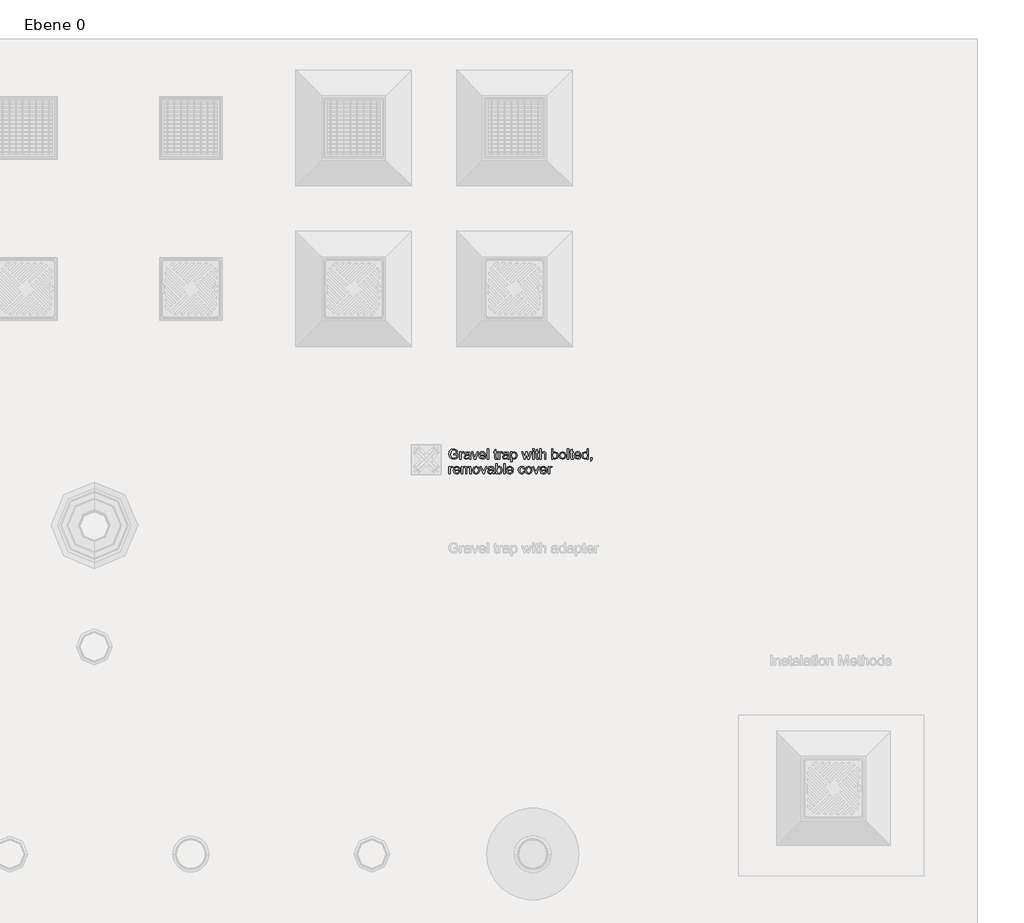
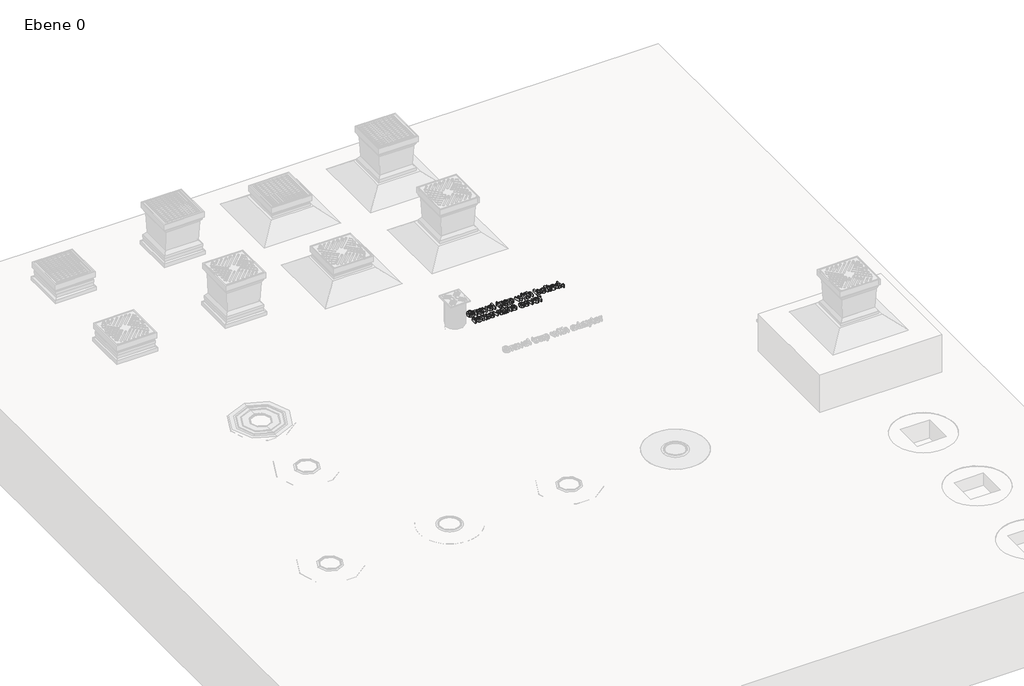
# One storey, part 11 of 12: 1 proxy.
"""IFC4 building model written with IfcOpenShell, lengths in millimetres."""

from ifc_helpers import new_model, si_unit, origin, origin_with_axes, place, context, project, spatial, polyline, outline, extrude, element, save

model = new_model("IFC4")

# Units and contexts
model_context = context("Model", 3, world=origin())
ifc_project = project(units=[si_unit("LENGTHUNIT", "METRE", prefix="MILLI")], contexts=[model_context])

# Site, building, storey
site = spatial("IfcSite", under=ifc_project)
building = spatial("IfcBuilding", under=site)
storey = spatial("IfcBuildingStorey", under=building, Name="Ebene 0", Elevation=0.0)

# Proxy
placement = place(None, origin())
element("IfcBuildingElementProxy", 1, Name="100mm ACO", ObjectType="100mm ACO", at=placement, inside=storey, context=model_context, shape_type="SweptSolid", body=[
    extrude(outline(polyline([(-26290.8280387, 21231.6005421), (-26300.5888957, 21225.8706317), (-26311.2156058, 21223.9606615), (-26321.465779, 21225.7287482), (-26329.5149389, 21231.0330082), (-26334.7264289, 21239.2695271), (-26336.4635922, 21249.8343905), (-26333.6331984, 21263.1641632), (-26325.2875383, 21272.7249281), (-26311.797692, 21276.1155798), (-26298.5115758, 21272.3465721), (-26291.7593765, 21261.0541009), (-26298.2787413, 21259.351499), (-26303.1318845, 21267.7262633), (-26312.277913, 21270.5275529), (-26319.952355, 21269.115994), (-26325.4839924, 21264.8813173), (-26329.9442274, 21250.0963293), (-26327.7395762, 21238.7238213), (-26321.1983832, 21231.869757), (-26311.7685877, 21229.5486885), (-26297.3474035, 21235.1949241), (-26297.3474035, 21245.3814316), (-26312.2488087, 21245.3814316), (-26312.2488087, 21250.9694585), (-26290.8280387, 21250.9694585), (-26290.8280387, 21231.6005421)])), origin_with_axes(), (0.0, 0.0, 1.0), 20.0),
    extrude(outline(polyline([(-26261.9565661, 21260.7194014), (-26263.9938676, 21256.5574855), (-26268.2722007, 21257.4888233), (-26273.2926937, 21254.2145888), (-26274.9952956, 21245.046732), (-26274.9952956, 21224.8919994), (-26281.5146604, 21224.8919994), (-26281.5146604, 21261.2141746), (-26275.9266335, 21261.2141746), (-26275.9266335, 21255.8298778), (-26268.1994399, 21262.1455124), (-26261.9565661, 21260.7194014)])), origin_with_axes(), (0.0, 0.0, 1.0), 20.0),
    extrude(outline(polyline([(-26226.5657286, 21224.8919994), (-26233.0850934, 21224.8919994), (-26234.9477691, 21229.2867497), (-26248.0010508, 21223.9606615), (-26256.8560362, 21226.8710922), (-26260.0938904, 21234.5546293), (-26256.9215209, 21242.0999209), (-26245.9055407, 21246.0217263), (-26240.2010965, 21246.8948555), (-26234.9477691, 21248.175445), (-26235.1151188, 21252.2136676), (-26236.0901131, 21254.6657055), (-26238.6876725, 21256.7102831), (-26243.5044354, 21257.4888233), (-26249.5799595, 21255.9099146), (-26252.6431878, 21250.0381207), (-26259.1625526, 21250.8384891), (-26254.0183663, 21259.3078425), (-26242.616754, 21262.1455124), (-26232.9322958, 21260.2027999), (-26229.1341837, 21255.5170065), (-26228.4284043, 21248.4519359), (-26228.4284043, 21240.1426563), (-26228.1519134, 21229.9561488), (-26226.5657286, 21224.8919994)]), holes=[polyline([(-26234.9477691, 21241.1904113), (-26234.9477691, 21243.5187559), (-26246.6549766, 21240.8411596), (-26251.8446384, 21238.8002201), (-26253.5745256, 21234.6564944), (-26251.71185, 21230.3199526), (-26246.3421053, 21228.6173507), (-26238.3893534, 21231.4695728), (-26234.9477691, 21241.1904113)])]), origin_with_axes(), (0.0, 0.0, 1.0), 20.0),
    extrude(outline(polyline([(-26190.2435534, 21261.2141746), (-26203.2386265, 21224.8919994), (-26208.8557578, 21224.8919994), (-26222.8403773, 21261.2141746), (-26216.9613073, 21261.2141746), (-26209.1759051, 21240.1863127), (-26206.5419654, 21232.0953154), (-26204.5337682, 21237.9889375), (-26196.1371756, 21261.2141746), (-26190.2435534, 21261.2141746)])), origin_with_axes(), (0.0, 0.0, 1.0), 20.0),
    extrude(outline(polyline([(-26152.9900403, 21241.6560802), (-26179.9988373, 21241.6560802), (-26176.5863573, 21231.964346), (-26169.0119614, 21228.6173507), (-26163.1401674, 21230.4727502), (-26159.5094051, 21236.0680533), (-26152.9900403, 21235.3113413), (-26158.6799323, 21226.9001965), (-26169.0119614, 21223.9606615), (-26181.8833412, 21229.0029827), (-26186.5182021, 21242.7765961), (-26182.0506909, 21256.7757678), (-26176.6700322, 21260.8030763), (-26169.4630781, 21262.1455124), (-26161.8086453, 21260.4065301), (-26155.5584954, 21254.4838036), (-26152.9900403, 21241.6560802)]), holes=[polyline([(-26159.5094051, 21246.3127694), (-26162.9437133, 21254.8694357), (-26169.6231518, 21257.4888233), (-26176.753707, 21254.3746624), (-26179.9988373, 21246.3127694), (-26159.5094051, 21246.3127694)])]), origin_with_axes(), (0.0, 0.0, 1.0), 20.0),
    extrude(outline(polyline([(-26139.0199729, 21224.8919994), (-26145.5393377, 21224.8919994), (-26145.5393377, 21275.184242), (-26139.0199729, 21275.184242), (-26139.0199729, 21224.8919994)])), origin_with_axes(), (0.0, 0.0, 1.0), 20.0),
    extrude(outline(polyline([(-26096.1784328, 21224.382674), (-26100.7478091, 21223.9606615), (-26106.5759466, 21225.4086008), (-26108.8097021, 21229.0830196), (-26109.2171624, 21235.282237), (-26109.2171624, 21256.5574855), (-26113.8738516, 21256.5574855), (-26113.8738516, 21261.2141746), (-26109.2171624, 21261.2141746), (-26109.2171624, 21270.44024), (-26102.6977976, 21274.2529042), (-26102.6977976, 21261.2141746), (-26097.1097707, 21261.2141746), (-26097.1097707, 21256.5574855), (-26102.6977976, 21256.5574855), (-26102.6977976, 21233.9725432), (-26102.1739201, 21229.8397316), (-26099.510876, 21228.6173507), (-26096.9788013, 21228.6173507), (-26096.1784328, 21224.382674)])), origin_with_axes(), (0.0, 0.0, 1.0), 20.0),
    extrude(outline(polyline([(-26071.0323115, 21260.7194014), (-26073.069613, 21256.5574855), (-26077.3479462, 21257.4888233), (-26082.3684391, 21254.2145888), (-26084.0710411, 21245.046732), (-26084.0710411, 21224.8919994), (-26090.5904059, 21224.8919994), (-26090.5904059, 21261.2141746), (-26085.0023789, 21261.2141746), (-26085.0023789, 21255.8298778), (-26077.2751854, 21262.1455124), (-26071.0323115, 21260.7194014)])), origin_with_axes(), (0.0, 0.0, 1.0), 20.0),
    extrude(outline(polyline([(-26035.6414741, 21224.8919994), (-26042.1608389, 21224.8919994), (-26044.0235145, 21229.2867497), (-26057.0767963, 21223.9606615), (-26065.9317817, 21226.8710922), (-26069.1696359, 21234.5546293), (-26065.9972664, 21242.0999209), (-26054.9812862, 21246.0217263), (-26049.276842, 21246.8948555), (-26044.0235145, 21248.175445), (-26044.1908643, 21252.2136676), (-26045.1658586, 21254.6657055), (-26047.763418, 21256.7102831), (-26052.5801808, 21257.4888233), (-26058.6557049, 21255.9099146), (-26061.7189332, 21250.0381207), (-26068.238298, 21250.8384891), (-26063.0941118, 21259.3078425), (-26051.6924995, 21262.1455124), (-26042.0080413, 21260.2027999), (-26038.2099292, 21255.5170065), (-26037.5041497, 21248.4519359), (-26037.5041497, 21240.1426563), (-26037.2276588, 21229.9561488), (-26035.6414741, 21224.8919994)]), holes=[polyline([(-26044.0235145, 21241.1904113), (-26044.0235145, 21243.5187559), (-26055.7307221, 21240.8411596), (-26060.9203838, 21238.8002201), (-26062.6502711, 21234.6564944), (-26060.7875954, 21230.3199526), (-26055.4178508, 21228.6173507), (-26047.4650988, 21231.4695728), (-26044.0235145, 21241.1904113)])]), origin_with_axes(), (0.0, 0.0, 1.0), 20.0),
    extrude(outline(polyline([(-26021.605922, 21256.8339764), (-26011.4848992, 21262.1455124), (-26000.5416797, 21256.9358415), (-25996.5252854, 21243.3586822), (-26001.0655573, 21229.2067129), (-26012.2125069, 21223.9606615), (-26021.4967808, 21228.2389947), (-26021.6714067, 21210.921932), (-26028.1907715, 21210.921932), (-26028.1907715, 21261.2141746), (-26021.6714067, 21261.2141746), (-26021.605922, 21256.8339764)]), holes=[polyline([(-26012.9255624, 21228.6173507), (-26005.8459397, 21232.2917694), (-26003.0446501, 21243.242265), (-26005.7440746, 21253.7998524), (-26012.6490715, 21257.4888233), (-26019.801455, 21253.3778399), (-26022.6027445, 21242.7183875), (-26019.9178722, 21232.2044565), (-26012.9255624, 21228.6173507)])]), origin_with_axes(), (0.0, 0.0, 1.0), 20.0),
    extrude(outline(polyline([(-25924.5794382, 21261.2141746), (-25936.7450386, 21224.8919994), (-25942.9151517, 21224.8919994), (-25948.1975834, 21246.7202297), (-25948.8597064, 21249.6670408), (-25949.4927251, 21252.8903428), (-25955.9102248, 21224.8919994), (-25962.0803379, 21224.8919994), (-25974.406012, 21261.2141746), (-25968.5997027, 21261.2141746), (-25959.7374412, 21232.4300149), (-25958.675134, 21237.3340906), (-25953.1162113, 21261.2141746), (-25945.8255824, 21261.2141746), (-25941.4162799, 21242.1654056), (-25939.3644262, 21233.2158312), (-25930.4002996, 21261.2141746), (-25924.5794382, 21261.2141746)])), origin_with_axes(), (0.0, 0.0, 1.0), 20.0),
    extrude(outline(polyline([(-25912.7048809, 21224.8919994), (-25919.2242457, 21224.8919994), (-25919.2242457, 21261.2141746), (-25912.7048809, 21261.2141746), (-25912.7048809, 21224.8919994)])), origin_with_axes(), (0.0, 0.0, 1.0), 20.0),
    extrude(outline(polyline([(-25912.7048809, 21268.6648772), (-25919.2242457, 21268.6648772), (-25919.2242457, 21275.184242), (-25912.7048809, 21275.184242), (-25912.7048809, 21268.6648772)])), origin_with_axes(), (0.0, 0.0, 1.0), 20.0),
    extrude(outline(polyline([(-25889.4214352, 21224.382674), (-25893.9908115, 21223.9606615), (-25899.818949, 21225.4086008), (-25902.0527045, 21229.0830196), (-25902.4601648, 21235.282237), (-25902.4601648, 21256.5574855), (-25907.116854, 21256.5574855), (-25907.116854, 21261.2141746), (-25902.4601648, 21261.2141746), (-25902.4601648, 21270.44024), (-25895.9408, 21274.2529042), (-25895.9408, 21261.2141746), (-25890.3527731, 21261.2141746), (-25890.3527731, 21256.5574855), (-25895.9408, 21256.5574855), (-25895.9408, 21233.9725432), (-25895.4169225, 21229.8397316), (-25892.7538784, 21228.6173507), (-25890.2218037, 21228.6173507), (-25889.4214352, 21224.382674)])), origin_with_axes(), (0.0, 0.0, 1.0), 20.0),
    extrude(outline(polyline([(-25854.0305978, 21224.8919994), (-25860.5499626, 21224.8919994), (-25860.5499626, 21248.3791752), (-25862.4053622, 21255.2114113), (-25867.9424566, 21257.4888233), (-25874.4472692, 21254.803951), (-25877.3140435, 21245.2213579), (-25877.3140435, 21224.8919994), (-25883.8334083, 21224.8919994), (-25883.8334083, 21275.184242), (-25877.3140435, 21275.184242), (-25877.3140435, 21257.1686759), (-25866.4726891, 21262.1455124), (-25859.7932506, 21260.7048492), (-25855.3184634, 21256.2737185), (-25854.0305978, 21247.9717149), (-25854.0305978, 21224.8919994)])), origin_with_axes(), (0.0, 0.0, 1.0), 20.0),
    extrude(outline(polyline([(-25818.5524475, 21257.6197927), (-25808.7734003, 21262.1455124), (-25797.6628311, 21257.0231544), (-25793.4936391, 21243.6351731), (-25798.0775674, 21229.032087), (-25808.8025046, 21223.9606615), (-25818.508791, 21228.937498), (-25818.6397604, 21224.8919994), (-25825.1591252, 21224.8919994), (-25825.1591252, 21275.184242), (-25818.6397604, 21275.184242), (-25818.5524475, 21257.6197927)]), holes=[polyline([(-25809.413695, 21228.6173507), (-25802.6687719, 21232.4227388), (-25800.0130039, 21243.1112956), (-25802.4577656, 21253.6106744), (-25809.2099649, 21257.4888233), (-25816.0494771, 21253.4869811), (-25818.6397604, 21243.3586822), (-25817.562901, 21234.8311202), (-25814.3177708, 21230.4581981), (-25809.413695, 21228.6173507)])]), origin_with_axes(), (0.0, 0.0, 1.0), 20.0),
    extrude(outline(polyline([(-25771.1560834, 21262.1455124), (-25759.1432806, 21257.3287496), (-25754.3774503, 21243.6351731), (-25755.6671349, 21234.4454882), (-25759.5361888, 21228.4136205), (-25771.1560834, 21223.9606615), (-25782.9214995, 21228.5373138), (-25786.659584, 21234.4545833), (-25787.9056121, 21243.053087), (-25783.0888493, 21257.4160625), (-25771.1560834, 21262.1455124)]), holes=[polyline([(-25771.1560834, 21228.6173507), (-25763.5089267, 21232.6555733), (-25760.8968151, 21243.2859214), (-25763.8509023, 21253.9089935), (-25771.1560834, 21257.4888233), (-25778.512197, 21253.858061), (-25781.3862473, 21243.0385348), (-25778.4612644, 21232.248113), (-25771.1560834, 21228.6173507)])]), origin_with_axes(), (0.0, 0.0, 1.0), 20.0),
    extrude(outline(polyline([(-25740.4073829, 21224.8919994), (-25746.9267477, 21224.8919994), (-25746.9267477, 21275.184242), (-25740.4073829, 21275.184242), (-25740.4073829, 21224.8919994)])), origin_with_axes(), (0.0, 0.0, 1.0), 20.0),
    extrude(outline(polyline([(-25717.1239372, 21224.382674), (-25721.6933135, 21223.9606615), (-25727.521451, 21225.4086008), (-25729.7552065, 21229.0830196), (-25730.1626668, 21235.282237), (-25730.1626668, 21256.5574855), (-25734.819356, 21256.5574855), (-25734.819356, 21261.2141746), (-25730.1626668, 21261.2141746), (-25730.1626668, 21270.44024), (-25723.643302, 21274.2529042), (-25723.643302, 21261.2141746), (-25718.0552751, 21261.2141746), (-25718.0552751, 21256.5574855), (-25723.643302, 21256.5574855), (-25723.643302, 21233.9725432), (-25723.1194245, 21229.8397316), (-25720.4563804, 21228.6173507), (-25717.9243057, 21228.6173507), (-25717.1239372, 21224.382674)])), origin_with_axes(), (0.0, 0.0, 1.0), 20.0),
    extrude(outline(polyline([(-25679.8704242, 21241.6560802), (-25706.8792212, 21241.6560802), (-25703.4667411, 21231.964346), (-25695.8923452, 21228.6173507), (-25690.0205513, 21230.4727502), (-25686.389789, 21236.0680533), (-25679.8704242, 21235.3113413), (-25685.5603162, 21226.9001965), (-25695.8923452, 21223.9606615), (-25708.763725, 21229.0029827), (-25713.3985859, 21242.7765961), (-25708.9310748, 21256.7757678), (-25703.550416, 21260.8030763), (-25696.343462, 21262.1455124), (-25688.6890292, 21260.4065301), (-25682.4388793, 21254.4838036), (-25679.8704242, 21241.6560802)]), holes=[polyline([(-25686.389789, 21246.3127694), (-25689.8240972, 21254.8694357), (-25696.5035357, 21257.4888233), (-25703.6340909, 21254.3746624), (-25706.8792212, 21246.3127694), (-25686.389789, 21246.3127694)])]), origin_with_axes(), (0.0, 0.0, 1.0), 20.0),
    extrude(outline(polyline([(-25642.6169111, 21224.8919994), (-25649.1362759, 21224.8919994), (-25649.1362759, 21228.9957067), (-25659.0608446, 21223.9606615), (-25669.9240272, 21229.2721976), (-25674.2823972, 21243.053087), (-25670.1059291, 21257.0231544), (-25659.0753967, 21262.1455124), (-25649.2672453, 21257.5470319), (-25649.1362759, 21275.184242), (-25642.6169111, 21275.184242), (-25642.6169111, 21224.8919994)]), holes=[polyline([(-25658.3041326, 21228.6173507), (-25651.79932, 21232.0516589), (-25649.1362759, 21242.4710008), (-25651.5737616, 21253.4142203), (-25658.5660714, 21257.4888233), (-25665.4419639, 21253.5015332), (-25667.7630324, 21243.0385348), (-25666.5115472, 21235.1148872), (-25663.0190304, 21230.2471919), (-25658.3041326, 21228.6173507)])]), origin_with_axes(), (0.0, 0.0, 1.0), 20.0),
    extrude(outline(polyline([(-25623.9901545, 21224.8919994), (-25625.6563761, 21218.0161068), (-25629.7528073, 21214.6472833), (-25631.4408572, 21217.4412967), (-25627.7155059, 21224.8919994), (-25631.4408572, 21224.8919994), (-25631.4408572, 21232.342702), (-25623.9901545, 21232.342702), (-25623.9901545, 21224.8919994)])), origin_with_axes(), (0.0, 0.0, 1.0), 20.0),
    extrude(outline(polyline([(-26315.97416, 21187.4359557), (-26318.0114615, 21183.2740398), (-26322.2897947, 21184.2053776), (-26327.3102876, 21180.9311431), (-26329.0128896, 21171.7632863), (-26329.0128896, 21151.6085537), (-26335.5322544, 21151.6085537), (-26335.5322544, 21187.9307289), (-26329.9442274, 21187.9307289), (-26329.9442274, 21182.5464321), (-26322.2170339, 21188.8620668), (-26315.97416, 21187.4359557)])), origin_with_axes(), (0.0, 0.0, 1.0), 20.0),
    extrude(outline(polyline([(-26280.5833226, 21168.3726346), (-26307.5921196, 21168.3726346), (-26304.1796396, 21158.6809003), (-26296.6052437, 21155.333905), (-26290.7334497, 21157.1893046), (-26287.1026874, 21162.7846076), (-26280.5833226, 21162.0278956), (-26286.2732146, 21153.6167509), (-26296.6052437, 21150.6772159), (-26309.4766235, 21155.7195371), (-26314.1114844, 21169.4931504), (-26309.6439732, 21183.4923221), (-26304.2633145, 21187.5196306), (-26297.0563604, 21188.8620668), (-26289.4019277, 21187.1230844), (-26283.1517777, 21181.2003579), (-26280.5833226, 21168.3726346)]), holes=[polyline([(-26287.1026874, 21173.0293237), (-26290.5369956, 21181.58599), (-26297.2164341, 21184.2053776), (-26304.3469893, 21181.0912168), (-26307.5921196, 21173.0293237), (-26287.1026874, 21173.0293237)])]), origin_with_axes(), (0.0, 0.0, 1.0), 20.0),
    extrude(outline(polyline([(-26224.703053, 21151.6085537), (-26231.2224178, 21151.6085537), (-26231.2224178, 21175.0957295), (-26231.5498412, 21179.5268603), (-26233.2524432, 21182.7865427), (-26237.5380524, 21184.2053776), (-26243.5771961, 21181.6150943), (-26246.123823, 21173.2039495), (-26246.123823, 21151.6085537), (-26252.6431878, 21151.6085537), (-26252.6431878, 21175.7942329), (-26254.2439247, 21182.4154627), (-26258.7841966, 21184.2053776), (-26265.0852791, 21181.4040881), (-26267.544593, 21170.9192614), (-26267.544593, 21151.6085537), (-26274.0639578, 21151.6085537), (-26274.0639578, 21187.9307289), (-26268.4759308, 21187.9307289), (-26268.4759308, 21182.9538924), (-26263.7573951, 21187.3850232), (-26257.4453985, 21188.8620668), (-26250.8168925, 21187.2686059), (-26247.0551608, 21182.4736714), (-26242.2675023, 21187.2649679), (-26235.9373155, 21188.8620668), (-26227.5116186, 21185.8061145), (-26224.703053, 21176.6382578), (-26224.703053, 21151.6085537)])), origin_with_axes(), (0.0, 0.0, 1.0), 20.0),
    extrude(outline(polyline([(-26200.5028216, 21188.8620668), (-26188.4900189, 21184.0453039), (-26183.7241886, 21170.3517274), (-26185.0138732, 21161.1620425), (-26188.882927, 21155.1301748), (-26200.5028216, 21150.6772159), (-26212.2682378, 21155.2538681), (-26216.0063222, 21161.1711376), (-26217.2523504, 21169.7696413), (-26212.4355875, 21184.1326169), (-26200.5028216, 21188.8620668)]), holes=[polyline([(-26200.5028216, 21155.333905), (-26192.8556649, 21159.3721276), (-26190.2435534, 21170.0024758), (-26193.1976405, 21180.6255479), (-26200.5028216, 21184.2053776), (-26207.8589352, 21180.5746153), (-26210.7329856, 21169.7550892), (-26207.8080027, 21158.9646673), (-26200.5028216, 21155.333905)])]), origin_with_axes(), (0.0, 0.0, 1.0), 20.0),
    extrude(outline(polyline([(-26147.4020133, 21187.9307289), (-26160.3970865, 21151.6085537), (-26166.0142177, 21151.6085537), (-26179.9988373, 21187.9307289), (-26174.1197672, 21187.9307289), (-26166.3343651, 21166.9028671), (-26163.7004253, 21158.8118697), (-26161.6922281, 21164.7054919), (-26153.2956355, 21187.9307289), (-26147.4020133, 21187.9307289)])), origin_with_axes(), (0.0, 0.0, 1.0), 20.0),
    extrude(outline(polyline([(-26110.1485003, 21151.6085537), (-26116.667865, 21151.6085537), (-26118.5305407, 21156.0033041), (-26131.5838224, 21150.6772159), (-26140.4388079, 21153.5876466), (-26143.676662, 21161.2711836), (-26140.5042926, 21168.8164752), (-26129.4883123, 21172.7382806), (-26123.7838681, 21173.6114098), (-26118.5305407, 21174.8919994), (-26118.6978905, 21178.930222), (-26119.6728848, 21181.3822598), (-26122.2704442, 21183.4268374), (-26127.087207, 21184.2053776), (-26133.1627311, 21182.626469), (-26136.2259594, 21176.754675), (-26142.7453242, 21177.5550435), (-26137.6011379, 21186.0243968), (-26126.1995256, 21188.8620668), (-26116.5150674, 21186.9193543), (-26112.7169554, 21182.2335608), (-26112.0111759, 21175.1684903), (-26112.0111759, 21166.8592106), (-26111.734685, 21156.6727031), (-26110.1485003, 21151.6085537)]), holes=[polyline([(-26118.5305407, 21167.9069657), (-26118.5305407, 21170.2353102), (-26130.2377482, 21167.557714), (-26135.42741, 21165.5167744), (-26137.1572972, 21161.3730487), (-26135.2946216, 21157.036507), (-26129.9248769, 21155.333905), (-26121.972125, 21158.1861271), (-26118.5305407, 21167.9069657)])]), origin_with_axes(), (0.0, 0.0, 1.0), 20.0),
    extrude(outline(polyline([(-26096.0911199, 21184.336347), (-26086.3120727, 21188.8620668), (-26075.2015035, 21183.7397087), (-26071.0323115, 21170.3517274), (-26075.6162399, 21155.7486414), (-26086.3411771, 21150.6772159), (-26096.0474635, 21155.6540524), (-26096.1784328, 21151.6085537), (-26102.6977976, 21151.6085537), (-26102.6977976, 21201.9007963), (-26096.1784328, 21201.9007963), (-26096.0911199, 21184.336347)]), holes=[polyline([(-26086.9523675, 21155.333905), (-26080.2074443, 21159.1392931), (-26077.5516763, 21169.8278499), (-26079.9964381, 21180.3272287), (-26086.7486374, 21184.2053776), (-26093.5881495, 21180.2035354), (-26096.1784328, 21170.0752365), (-26095.1015735, 21161.5476746), (-26091.8564432, 21157.1747524), (-26086.9523675, 21155.333905)])]), origin_with_axes(), (0.0, 0.0, 1.0), 20.0),
    extrude(outline(polyline([(-26057.0622441, 21151.6085537), (-26063.5816089, 21151.6085537), (-26063.5816089, 21201.9007963), (-26057.0622441, 21201.9007963), (-26057.0622441, 21151.6085537)])), origin_with_axes(), (0.0, 0.0, 1.0), 20.0),
    extrude(outline(polyline([(-26016.0833797, 21168.3726346), (-26043.0921767, 21168.3726346), (-26039.6796967, 21158.6809003), (-26032.1053008, 21155.333905), (-26026.2335068, 21157.1893046), (-26022.6027445, 21162.7846076), (-26016.0833797, 21162.0278956), (-26021.7732718, 21153.6167509), (-26032.1053008, 21150.6772159), (-26044.9766806, 21155.7195371), (-26049.6115415, 21169.4931504), (-26045.1440304, 21183.4923221), (-26039.7633716, 21187.5196306), (-26032.5564175, 21188.8620668), (-26024.9019848, 21187.1230844), (-26018.6518348, 21181.2003579), (-26016.0833797, 21168.3726346)]), holes=[polyline([(-26022.6027445, 21173.0293237), (-26026.0370528, 21181.58599), (-26032.7164912, 21184.2053776), (-26039.8470465, 21181.0912168), (-26043.0921767, 21173.0293237), (-26022.6027445, 21173.0293237)])]), origin_with_axes(), (0.0, 0.0, 1.0), 20.0),
    extrude(outline(polyline([(-25958.3404344, 21163.9051234), (-25963.9721179, 21153.8641375), (-25973.9403431, 21150.6772159), (-25986.4988516, 21155.8868868), (-25990.9372584, 21169.6968805), (-25988.4051837, 21181.1057689), (-25982.0677208, 21187.1230844), (-25974.0713124, 21188.8620668), (-25964.2849892, 21186.0171207), (-25959.2717723, 21177.6569085), (-25965.7911371, 21176.754675), (-25968.7597764, 21182.3354259), (-25973.9985517, 21184.2053776), (-25981.7694017, 21180.4145416), (-25984.4178936, 21169.8278499), (-25981.7621256, 21159.1101888), (-25974.1004167, 21155.333905), (-25967.7629539, 21157.6622496), (-25964.8597992, 21164.6472833), (-25958.3404344, 21163.9051234)])), origin_with_axes(), (0.0, 0.0, 1.0), 20.0),
    extrude(outline(polyline([(-25939.7282301, 21188.8620668), (-25927.7154273, 21184.0453039), (-25922.949597, 21170.3517274), (-25924.2392816, 21161.1620425), (-25928.1083355, 21155.1301748), (-25939.7282301, 21150.6772159), (-25951.4936462, 21155.2538681), (-25955.2317306, 21161.1711376), (-25956.4777588, 21169.7696413), (-25951.660996, 21184.1326169), (-25939.7282301, 21188.8620668)]), holes=[polyline([(-25939.7282301, 21155.333905), (-25932.0810734, 21159.3721276), (-25929.4689618, 21170.0024758), (-25932.423049, 21180.6255479), (-25939.7282301, 21184.2053776), (-25947.0843437, 21180.5746153), (-25949.958394, 21169.7550892), (-25947.0334111, 21158.9646673), (-25939.7282301, 21155.333905)])]), origin_with_axes(), (0.0, 0.0, 1.0), 20.0),
    extrude(outline(polyline([(-25886.6274218, 21187.9307289), (-25899.6224949, 21151.6085537), (-25905.2396262, 21151.6085537), (-25919.2242457, 21187.9307289), (-25913.3451757, 21187.9307289), (-25905.5597735, 21166.9028671), (-25902.9258337, 21158.8118697), (-25900.9176366, 21164.7054919), (-25892.521044, 21187.9307289), (-25886.6274218, 21187.9307289)])), origin_with_axes(), (0.0, 0.0, 1.0), 20.0),
    extrude(outline(polyline([(-25849.3739087, 21168.3726346), (-25876.3827057, 21168.3726346), (-25872.9702257, 21158.6809003), (-25865.3958297, 21155.333905), (-25859.5240358, 21157.1893046), (-25855.8932735, 21162.7846076), (-25849.3739087, 21162.0278956), (-25855.0638007, 21153.6167509), (-25865.3958297, 21150.6772159), (-25878.2672096, 21155.7195371), (-25882.9020705, 21169.4931504), (-25878.4345593, 21183.4923221), (-25873.0539005, 21187.5196306), (-25865.8469465, 21188.8620668), (-25858.1925137, 21187.1230844), (-25851.9423638, 21181.2003579), (-25849.3739087, 21168.3726346)]), holes=[polyline([(-25855.8932735, 21173.0293237), (-25859.3275817, 21181.58599), (-25866.0070202, 21184.2053776), (-25873.1375754, 21181.0912168), (-25876.3827057, 21173.0293237), (-25855.8932735, 21173.0293237)])]), origin_with_axes(), (0.0, 0.0, 1.0), 20.0),
    extrude(outline(polyline([(-25822.3651117, 21187.4359557), (-25824.4024132, 21183.2740398), (-25828.6807463, 21184.2053776), (-25833.7012393, 21180.9311431), (-25835.4038413, 21171.7632863), (-25835.4038413, 21151.6085537), (-25841.9232061, 21151.6085537), (-25841.9232061, 21187.9307289), (-25836.3351791, 21187.9307289), (-25836.3351791, 21182.5464321), (-25828.6079856, 21188.8620668), (-25822.3651117, 21187.4359557)])), origin_with_axes(), (0.0, 0.0, 1.0), 20.0),
])

save(model, "model.ifc")
